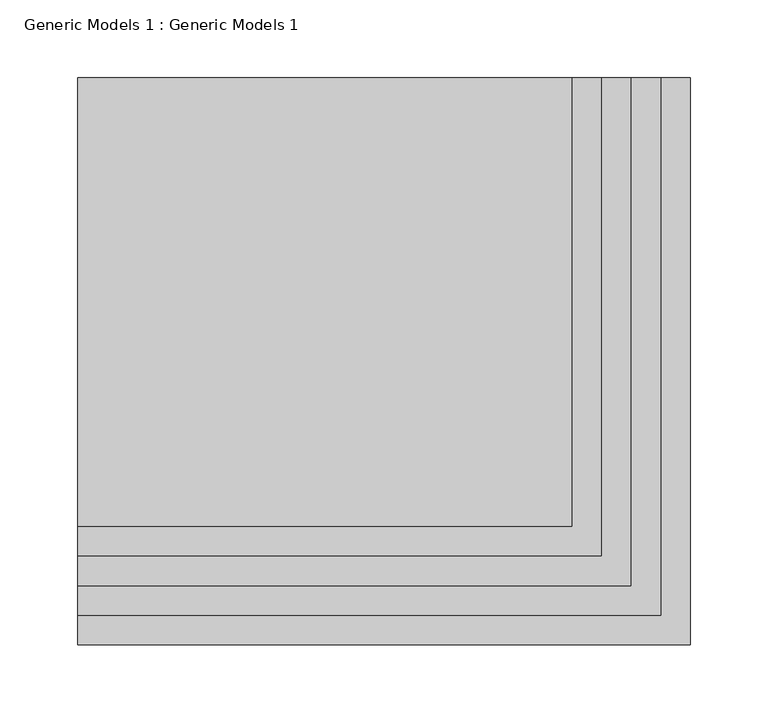
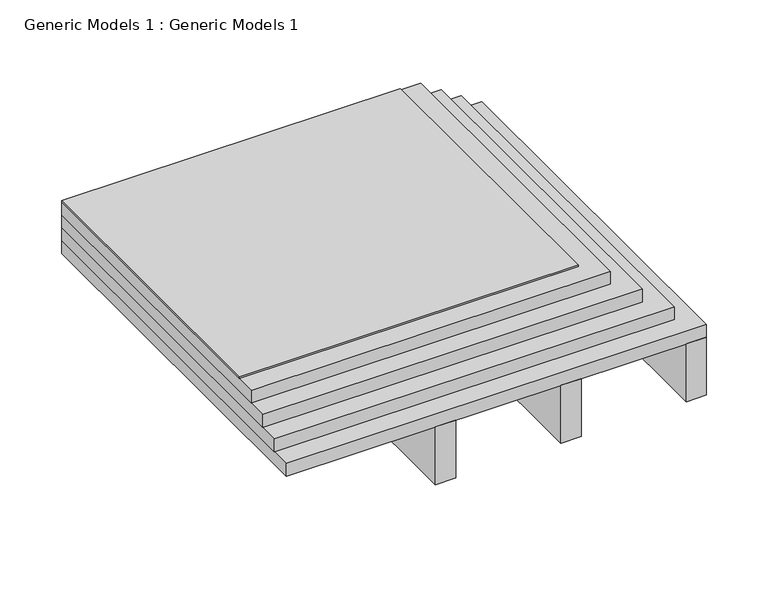
"""IFC4 building model written with IfcOpenShell, lengths in millimetres: proxy geometry, Generic Models 1 : Generic Models 1."""

from ifc_helpers import new_model, si_unit, frame, origin, place, context, project, spatial, polyline, outline, extrude, source, transform, mapped, element, save


def generic_models_1_generic_models_1_1a2295b6(model_context):
    return source(origin(), model_context, "Body", "SweptSolid", [
        extrude(outline(polyline([(-101.6, 364.5288588), (215.9, 364.5288588), (215.9, 76.2), (-101.6, 76.2), (-101.6, 364.5288588)])), frame((0.0, 0.0, 139.7), z_axis=(0.0, 0.0, 1.0), x_axis=(1.0, 0.0, 0.0)), (0.0, 0.0, 1.0), 1.5875),
        extrude(outline(polyline([(-101.6, 364.5288588), (234.95, 364.5288588), (234.95, 57.15), (-101.6, 57.15), (-101.6, 364.5288588)])), frame((0.0, 0.0, 127.0), z_axis=(0.0, 0.0, 1.0), x_axis=(1.0, 0.0, 0.0)), (0.0, 0.0, 1.0), 12.7),
        extrude(outline(polyline([(-101.6, 364.5288588), (254.0, 364.5288588), (254.0, 38.1), (-101.6, 38.1), (-101.6, 364.5288588)])), frame((0.0, 0.0, 114.3), z_axis=(0.0, 0.0, 1.0), x_axis=(1.0, 0.0, 0.0)), (0.0, 0.0, 1.0), 12.7),
        extrude(outline(polyline([(-101.6, 364.5288588), (273.05, 364.5288588), (273.05, 19.05), (-101.6, 19.05), (-101.6, 364.5288588)])), frame((0.0, 0.0, 101.6), z_axis=(0.0, 0.0, 1.0), x_axis=(1.0, 0.0, 0.0)), (0.0, 0.0, 1.0), 12.7),
        extrude(outline(polyline([(57.15, 0.0), (38.1, 0.0), (38.1, 261.3017557), (57.15, 261.3017557), (57.15, 0.0)])), frame((0.0, 0.0, 31.75), z_axis=(0.0, 0.0, 1.0), x_axis=(1.0, 0.0, 0.0)), (0.0, 0.0, 1.0), 57.15),
        extrude(outline(polyline([(174.625, 0.0), (155.575, 0.0), (155.575, 261.3017557), (174.625, 261.3017557), (174.625, 0.0)])), frame((0.0, 0.0, 31.75), z_axis=(0.0, 0.0, 1.0), x_axis=(1.0, 0.0, 0.0)), (0.0, 0.0, 1.0), 57.15),
        extrude(outline(polyline([(292.1, 0.0), (273.05, 0.0), (273.05, 364.5288588), (292.1, 364.5288588), (292.1, 0.0)])), frame((0.0, 0.0, 31.75), z_axis=(0.0, 0.0, 1.0), x_axis=(1.0, 0.0, 0.0)), (0.0, 0.0, 1.0), 57.15),
        extrude(outline(polyline([(-101.6, 364.5288588), (292.1, 364.5288588), (292.1, 0.0), (-101.6, 0.0), (-101.6, 364.5288588)])), frame((0.0, 0.0, 88.9), z_axis=(0.0, 0.0, 1.0), x_axis=(1.0, 0.0, 0.0)), (0.0, 0.0, 1.0), 12.7),
    ])


if __name__ == "__main__":
    model = new_model("IFC4")
    model_context = context("Model", 3, world=origin())
    ifc_project = project(units=[si_unit("LENGTHUNIT", "METRE", prefix="MILLI")], contexts=[model_context])
    site = spatial("IfcSite", under=ifc_project)
    building = spatial("IfcBuilding", under=site)
    placement = place(None, origin())
    generic_models_1_generic_models_1_shape = generic_models_1_generic_models_1_1a2295b6(model_context)
    element("IfcBuildingElementProxy", 1, Name="Generic Models 1 : Generic Models 1", ObjectType="Generic Models 1 : Generic Models 1", at=placement, inside=building, context=model_context, shape_type="MappedRepresentation", body=[
        mapped(generic_models_1_generic_models_1_shape, transform((0.0, 0.0, 0.0), x_axis=(1.0, 0.0, 0.0), y_axis=(0.0, 1.0, 0.0), z_axis=(0.0, 0.0, 1.0))),
    ])
    save(model, "model.ifc")
